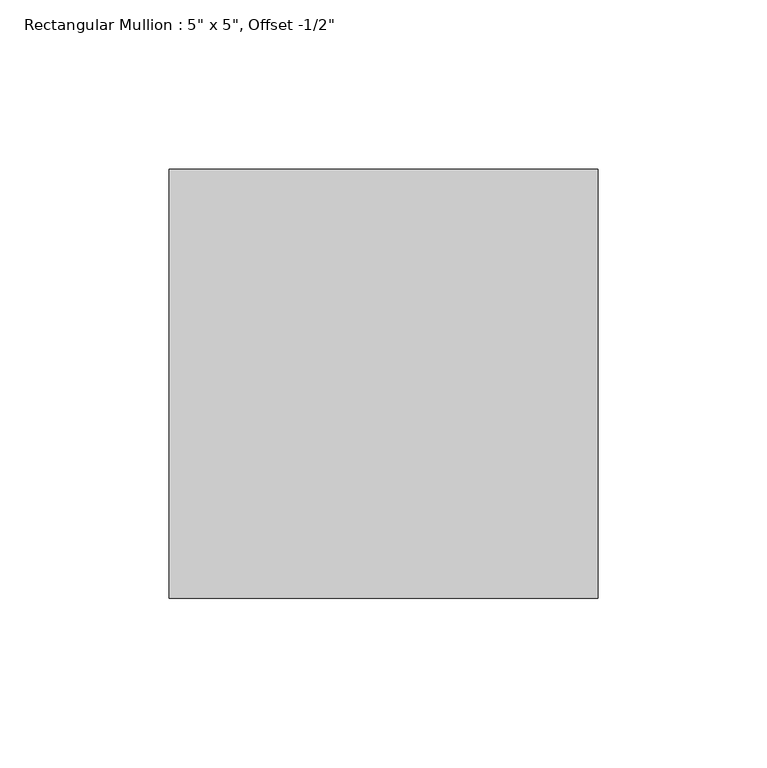
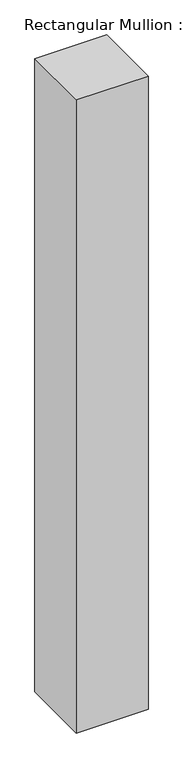
"""IFC4 building model written with IfcOpenShell, lengths in millimetres: member geometry."""

from ifc_helpers import new_model, si_unit, frame, origin, place, context, project, spatial, polyline, outline, extrude, source, transform, mapped, element, save


def member_d2c4c9bd(model_context):
    return source(origin(), model_context, "Body", "SweptSolid", [
        extrude(outline(polyline([(63.5, 76.2), (63.5, -50.8), (-63.5, -50.8), (-63.5, 76.2), (63.5, 76.2)])), frame((0.0, 0.0, -1185.3333333), z_axis=(0.0, 0.0, 1.0), x_axis=(1.0, 0.0, 0.0)), (0.0, 0.0, 1.0), 1185.3333333),
    ])


if __name__ == "__main__":
    model = new_model("IFC4")
    model_context = context("Model", 3, world=origin())
    ifc_project = project(units=[si_unit("LENGTHUNIT", "METRE", prefix="MILLI")], contexts=[model_context])
    site = spatial("IfcSite", under=ifc_project)
    building = spatial("IfcBuilding", under=site)
    placement = place(None, origin())
    member_shape = member_d2c4c9bd(model_context)
    element("IfcMember", 1, ObjectType="Rectangular Mullion : 5\" x 5\", Offset -1/2\"", at=placement, inside=building, context=model_context, shape_type="MappedRepresentation", body=[
        mapped(member_shape, transform((0.0, 0.0, 0.0), x_axis=(1.0, 0.0, 0.0), y_axis=(0.0, 1.0, 0.0), z_axis=(0.0, 0.0, 1.0))),
    ])
    save(model, "model.ifc")
